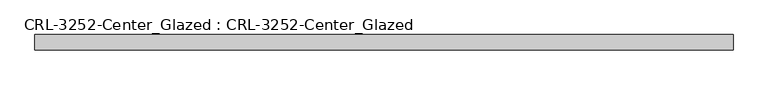
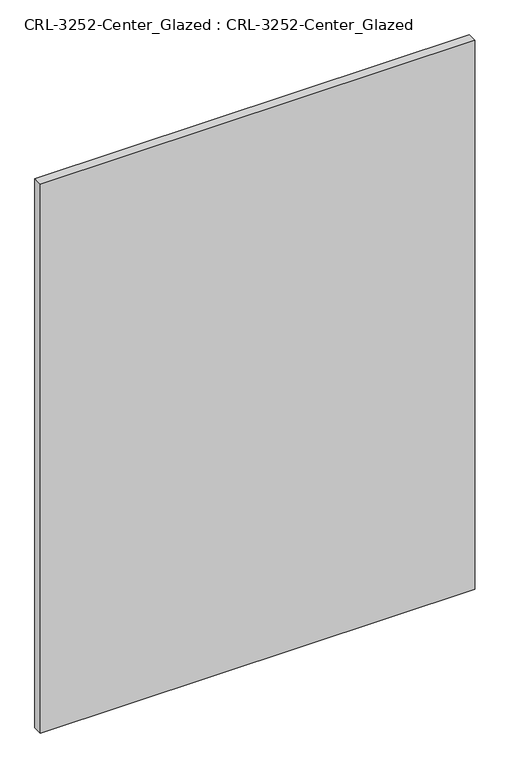
"""IFC4 building model written with IfcOpenShell, lengths in millimetres: plate geometry, CRL-3252-Center_Glazed : CRL-3252-Center_Glazed."""

from ifc_helpers import new_model, si_unit, origin, origin_with_axes, place, context, project, spatial, polyline, outline, extrude, source, transform, mapped, element, save


def crl_3252_center_glazed_crl_3252_center_glazed_89b08ba3(model_context):
    return source(origin(), model_context, "Body", "SweptSolid", [
        extrude(outline(polyline([(583.9769969, 12.7), (583.9769969, -12.7), (-583.9769969, -12.7), (-583.9769969, 12.7), (583.9769969, 12.7)])), origin_with_axes(), (0.0, 0.0, 1.0), 1559.5661691),
    ])


if __name__ == "__main__":
    model = new_model("IFC4")
    model_context = context("Model", 3, world=origin())
    ifc_project = project(units=[si_unit("LENGTHUNIT", "METRE", prefix="MILLI")], contexts=[model_context])
    site = spatial("IfcSite", under=ifc_project)
    building = spatial("IfcBuilding", under=site)
    placement = place(None, origin())
    crl_3252_center_glazed_crl_3252_center_glazed_shape = crl_3252_center_glazed_crl_3252_center_glazed_89b08ba3(model_context)
    element("IfcPlate", 1, ObjectType="CRL-3252-Center_Glazed : CRL-3252-Center_Glazed", at=placement, inside=building, context=model_context, shape_type="MappedRepresentation", body=[
        mapped(crl_3252_center_glazed_crl_3252_center_glazed_shape, transform((0.0, 0.0, 0.0), x_axis=(1.0, 0.0, 0.0), y_axis=(0.0, 1.0, 0.0), z_axis=(0.0, 0.0, 1.0))),
    ])
    save(model, "model.ifc")
